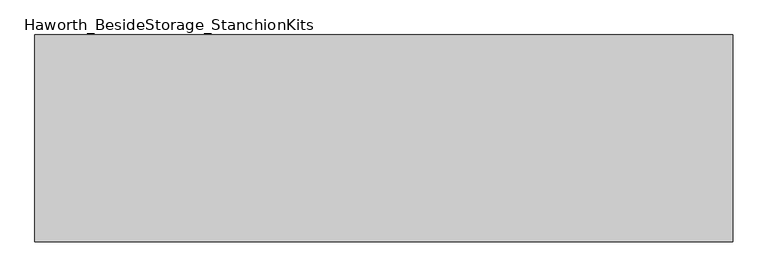
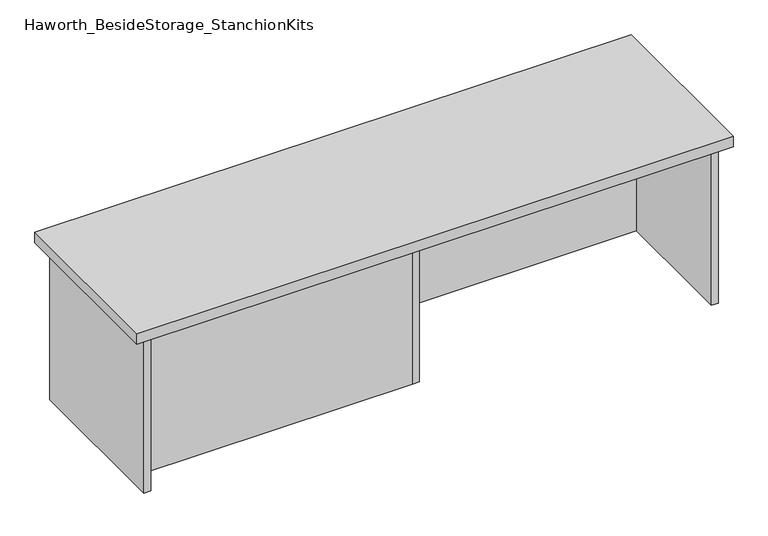
"""IFC4 building model written with IfcOpenShell, lengths in millimetres: furniture geometry, Haworth_BesideStorage_StanchionKits."""

from ifc_helpers import new_model, si_unit, frame, origin, place, context, project, spatial, polyline, outline, extrude, source, transform, mapped, element, save


def haworth_besidestorage_stanchionkits_81b7ce7c(model_context):
    return source(origin(), model_context, "Body", "SweptSolid", [
        extrude(outline(polyline([(847.725, 0.0), (847.725, -406.4), (-523.875, -406.4), (-523.875, 0.0), (847.725, 0.0)])), frame((0.0, 0.0, 812.8), z_axis=(0.0, 0.0, 1.0), x_axis=(1.0, 0.0, 0.0)), (0.0, 0.0, 1.0), 25.4),
        extrude(outline(polyline([(169.8625, -76.2), (806.45, -76.2), (806.45, -92.075), (169.8625, -92.075), (169.8625, -76.2)])), frame((0.0, 0.0, 431.8), z_axis=(0.0, 0.0, 1.0), x_axis=(1.0, 0.0, 0.0)), (0.0, 0.0, 1.0), 381.0),
        extrude(outline(polyline([(153.9875, -314.325), (153.9875, -330.2), (-482.6, -330.2), (-482.6, -314.325), (153.9875, -314.325)])), frame((0.0, 0.0, 431.8), z_axis=(0.0, 0.0, 1.0), x_axis=(1.0, 0.0, 0.0)), (0.0, 0.0, 1.0), 381.0),
        extrude(outline(polyline([(169.8625, -330.2), (153.9875, -330.2), (153.9875, -76.2), (169.8625, -76.2), (169.8625, -330.2)])), frame((0.0, 0.0, 431.8), z_axis=(0.0, 0.0, 1.0), x_axis=(1.0, 0.0, 0.0)), (0.0, 0.0, 1.0), 381.0),
        extrude(outline(polyline([(822.325, -390.525), (806.45, -390.525), (806.45, -15.875), (822.325, -15.875), (822.325, -390.525)])), frame((0.0, 0.0, 431.8), z_axis=(0.0, 0.0, 1.0), x_axis=(1.0, 0.0, 0.0)), (0.0, 0.0, 1.0), 381.0),
        extrude(outline(polyline([(-482.6, -390.525), (-498.475, -390.525), (-498.475, -15.875), (-482.6, -15.875), (-482.6, -390.525)])), frame((0.0, 0.0, 431.8), z_axis=(0.0, 0.0, 1.0), x_axis=(1.0, 0.0, 0.0)), (0.0, 0.0, 1.0), 381.0),
    ])


if __name__ == "__main__":
    model = new_model("IFC4")
    model_context = context("Model", 3, world=origin())
    ifc_project = project(units=[si_unit("LENGTHUNIT", "METRE", prefix="MILLI")], contexts=[model_context])
    site = spatial("IfcSite", under=ifc_project)
    building = spatial("IfcBuilding", under=site)
    placement = place(None, origin())
    haworth_besidestorage_stanchionkits_shape = haworth_besidestorage_stanchionkits_81b7ce7c(model_context)
    element("IfcFurniture", 1, ObjectType="Haworth_BesideStorage_StanchionKits", at=placement, inside=building, context=model_context, shape_type="MappedRepresentation", body=[
        mapped(haworth_besidestorage_stanchionkits_shape, transform((0.0, 0.0, 0.0), x_axis=(1.0, 0.0, 0.0), y_axis=(0.0, 1.0, 0.0), z_axis=(0.0, 0.0, 1.0))),
    ])
    save(model, "model.ifc")
